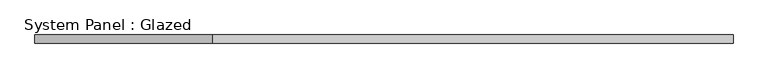
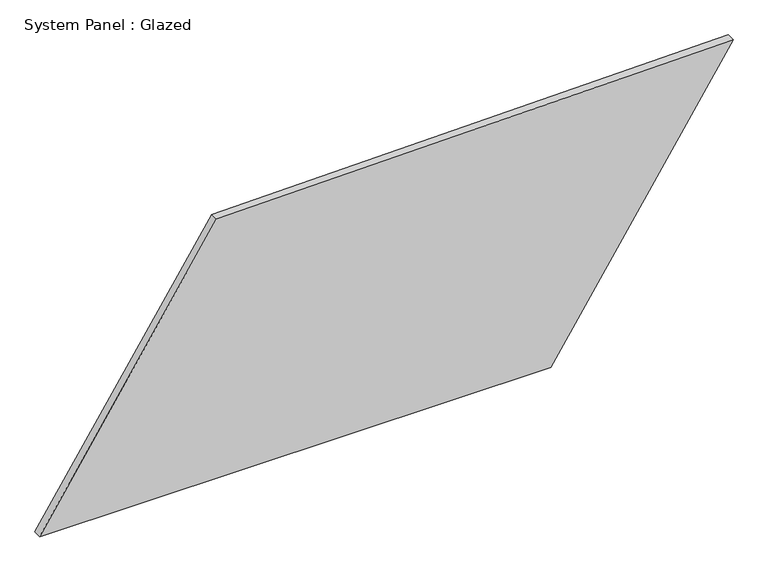
"""IFC4 building model written with IfcOpenShell, lengths in millimetres: plate geometry, System Panel : Glazed."""

from ifc_helpers import new_model, si_unit, frame, origin, place, context, project, spatial, polyline, outline, extrude, source, transform, mapped, element, save


def system_panel_glazed_23e5a6d7(model_context):
    return source(origin(), model_context, "Body", "SweptSolid", [
        extrude(outline(polyline([(0.0, -1074.9343437), (0.0, 509.9428729), (878.0057141, 1074.9343437), (849.1588723, -526.928597), (0.0, -1074.9343437)])), frame((0.0, -49.5, 0.0), z_axis=(0.0, 1.0, 0.0), x_axis=(0.0, 0.0, 1.0)), (0.0, 0.0, 1.0), 25.0),
    ])


if __name__ == "__main__":
    model = new_model("IFC4")
    model_context = context("Model", 3, world=origin())
    ifc_project = project(units=[si_unit("LENGTHUNIT", "METRE", prefix="MILLI")], contexts=[model_context])
    site = spatial("IfcSite", under=ifc_project)
    building = spatial("IfcBuilding", under=site)
    placement = place(None, origin())
    system_panel_glazed_shape = system_panel_glazed_23e5a6d7(model_context)
    element("IfcPlate", 1, ObjectType="System Panel : Glazed", at=placement, inside=building, context=model_context, shape_type="MappedRepresentation", body=[
        mapped(system_panel_glazed_shape, transform((0.0, 0.0, 0.0), x_axis=(1.0, 0.0, 0.0), y_axis=(0.0, 1.0, 0.0), z_axis=(0.0, 0.0, 1.0))),
    ])
    save(model, "model.ifc")
